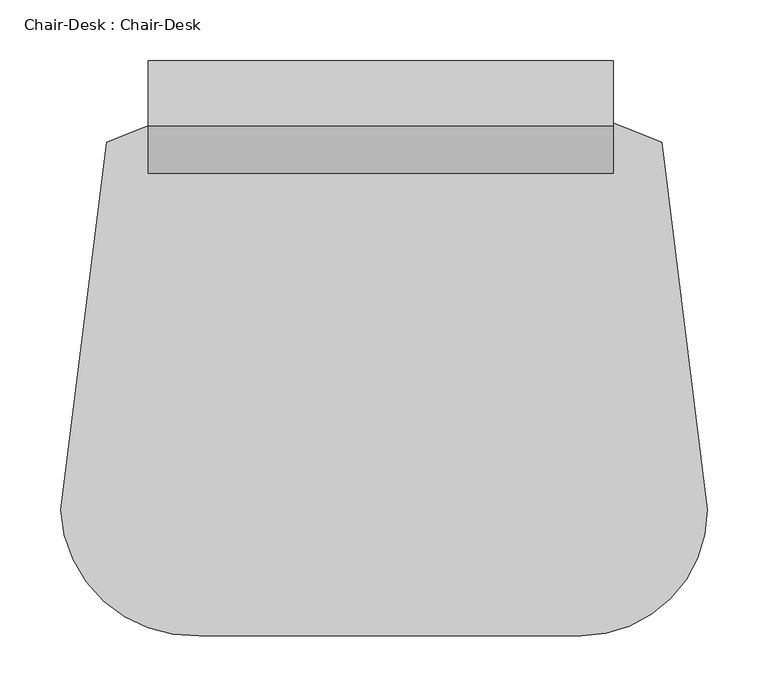
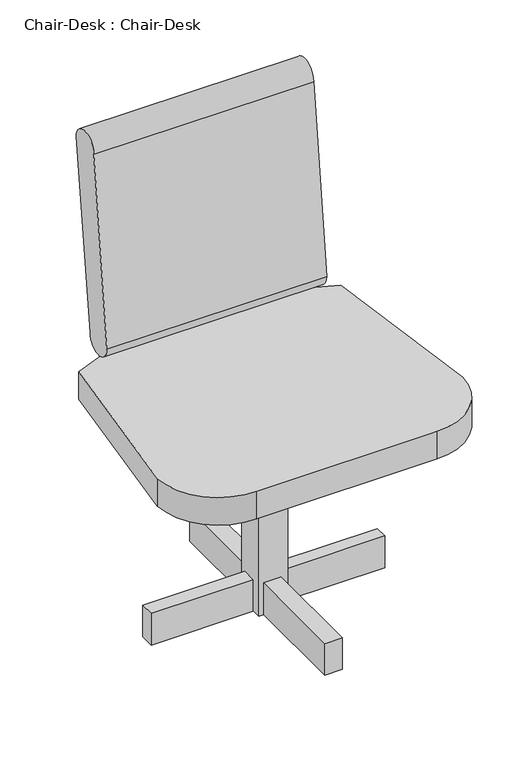
"""IFC4 building model written with IfcOpenShell, lengths in millimetres: furniture geometry, Chair-Desk : Chair-Desk."""

from ifc_helpers import new_model, si_unit, point, frame, frame_2d, origin, origin_with_axes, place, context, project, spatial, polyline, circle_curve, trimmed, segment, composite_curve, outline, extrude, source, transform, mapped, element, save


def chair_desk_chair_desk_1723cfae(model_context):
    return source(origin(), model_context, "Body", "SweptSolid", [
        extrude(outline(polyline([(-203.6618182, -175.0290909), (-203.6618182, -150.0462968), (-25.8618182, -150.0462968), (-25.8618182, -175.0290909), (-203.6618182, -175.0290909)])), origin_with_axes(), (0.0, 0.0, 1.0), 58.5040426),
        extrude(outline(polyline([(204.1236364, -175.0290909), (26.7854545, -175.0290909), (26.7854545, -152.4), (204.1236364, -152.4), (204.1236364, -175.0290909)])), origin_with_axes(), (0.0, 0.0, 1.0), 58.5040426),
        extrude(outline(polyline([(-16.1636364, -188.8836364), (14.3163636, -188.8836364), (14.3163636, -374.9517514), (-16.1636364, -374.9517514), (-16.1636364, -188.8836364)])), origin_with_axes(), (0.0, 0.0, 1.0), 58.5040426),
        extrude(outline(polyline([(14.3163636, -136.2363636), (-16.1636364, -136.2363636), (-16.1636364, 33.2509091), (14.3163636, 33.2509091), (14.3163636, -136.2363636)])), origin_with_axes(), (0.0, 0.0, 1.0), 58.5040426),
        extrude(outline(polyline([(26.3236364, -190.2690909), (-24.4763636, -190.2690909), (-24.4763636, -139.4690909), (26.3236364, -139.4690909), (26.3236364, -190.2690909)])), origin_with_axes(), (0.0, 0.0, 1.0), 355.6),
        extrude(outline(composite_curve([segment(trimmed(circle_curve(frame_2d((40.4206181, 787.4)), 26.7884929), [point((13.6321252, 787.4))], [point((67.209111, 787.4))], False, "CARTESIAN"), True, "CONTINUOUS"), segment(polyline([(67.209111, 787.4), (25.4, 451.3880753)]), True, "CONTINUOUS"), segment(trimmed(circle_curve(frame_2d((-0.0761963, 451.3880753)), 25.4761963), [point((25.4, 451.3880753))], [point((-25.5523927, 451.3880753))], False, "CARTESIAN"), True, "CONTINUOUS"), segment(polyline([(-25.5523927, 451.3880753), (13.6321252, 787.4)]), True, "CONTINUOUS")], self_intersect=False)), frame((-194.3643056, 0.0, 0.0), z_axis=(1.0, 0.0, 0.0), x_axis=(0.0, 1.0, 0.0)), (0.0, 0.0, 1.0), 383.2768056),
        extrude(outline(composite_curve([segment(polyline([(-266.4057871, -302.4462968), (-228.6, 0.0)]), True, "CONTINUOUS"), segment(trimmed(circle_curve(frame_2d((0.0, -446.8941036)), 501.9684252), [point((-228.6, 0.0))], [point((228.6, 0.0))], False, "CARTESIAN"), True, "CONTINUOUS"), segment(polyline([(228.6, 0.0), (266.2067116, -302.4462968)]), True, "CONTINUOUS"), segment(trimmed(circle_curve(frame_2d((162.2530084, -302.4462968)), 103.9537032), [point((266.2067116, -302.4462968))], [point((162.2530084, -406.4))], False, "CARTESIAN"), True, "CONTINUOUS"), segment(polyline([(162.2530084, -406.4), (-152.4, -406.4)]), True, "CONTINUOUS"), segment(trimmed(circle_curve(frame_2d((-157.1362322, -297.1024212)), 109.4001491), [point((-152.4, -406.4))], [point((-266.4057871, -302.4462968))], False, "CARTESIAN"), True, "CONTINUOUS")], self_intersect=False)), frame((0.0, 0.0, 355.6), z_axis=(0.0, 0.0, 1.0), x_axis=(1.0, 0.0, 0.0)), (0.0, 0.0, 1.0), 50.8),
    ])


if __name__ == "__main__":
    model = new_model("IFC4")
    model_context = context("Model", 3, world=origin())
    ifc_project = project(units=[si_unit("LENGTHUNIT", "METRE", prefix="MILLI")], contexts=[model_context])
    site = spatial("IfcSite", under=ifc_project)
    building = spatial("IfcBuilding", under=site)
    placement = place(None, origin())
    chair_desk_chair_desk_shape = chair_desk_chair_desk_1723cfae(model_context)
    element("IfcFurniture", 1, ObjectType="Chair-Desk : Chair-Desk", at=placement, inside=building, context=model_context, shape_type="MappedRepresentation", body=[
        mapped(chair_desk_chair_desk_shape, transform((0.0, 0.0, 0.0), x_axis=(1.0, 0.0, 0.0), y_axis=(0.0, 1.0, 0.0), z_axis=(0.0, 0.0, 1.0))),
    ])
    save(model, "model.ifc")
